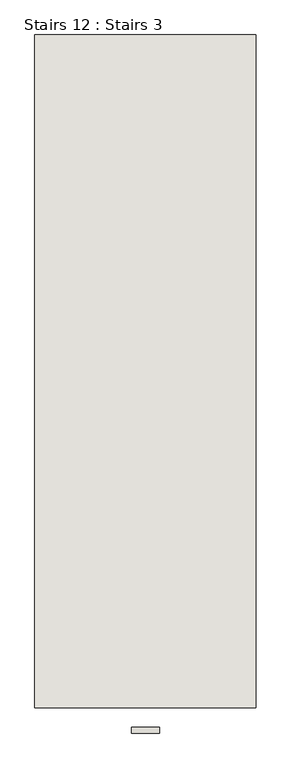
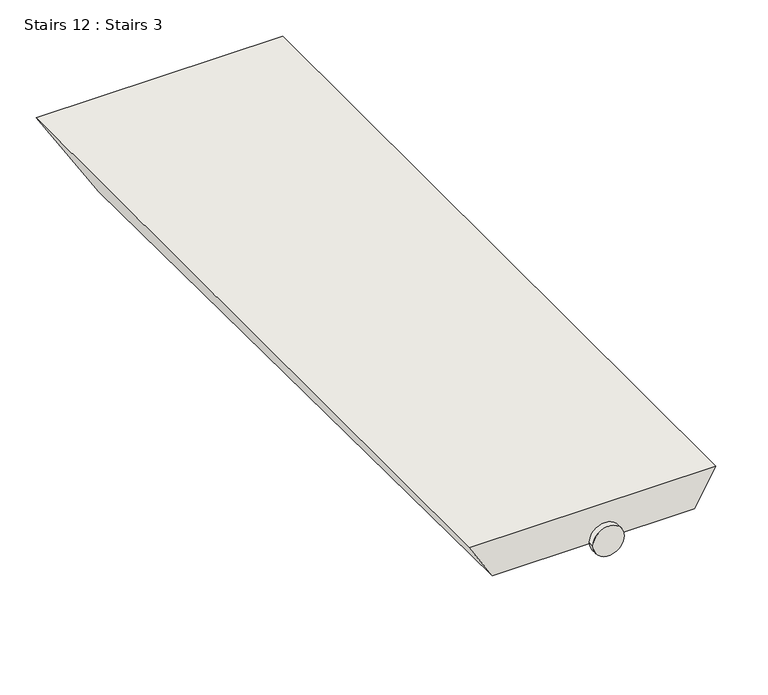
"""IFC4 building model written with IfcOpenShell, lengths in millimetres: wall geometry, Stairs 12 : Stairs 3."""

from ifc_helpers import new_model, si_unit, point, frame, frame_2d, origin, place, context, project, spatial, circle_curve, trimmed, segment, composite_curve, outline, extrude, faceted_brep, source, transform, mapped, element, save


def stairs_12_stairs_3_8f40d963(model_context):
    return source(origin(), model_context, "Body", "SolidModel", [
        extrude(outline(composite_curve([segment(trimmed(circle_curve(frame_2d((69216.224856, 101487.8275798)), 25.0), [point((69216.224856, 101512.8275798))], [point((69216.224856, 101462.8275798))], False, "CARTESIAN"), True, "CONTINUOUS"), segment(trimmed(circle_curve(frame_2d((69216.224856, 101487.8275798)), 25.0), [point((69216.224856, 101462.8275798))], [point((69216.224856, 101512.8275798))], False, "CARTESIAN"), True, "CONTINUOUS")], self_intersect=False)), frame((0.0, -36520.9230841, 0.0), z_axis=(0.0, 1.0, 0.0), x_axis=(0.0, 0.0, 1.0)), (0.0, 0.0, 1.0), 10.0),
        faceted_brep([(101685.1745595, -36475.9230841, 69246.224856), (101290.4806001, -36475.9230841, 69246.224856), (101327.9727612, -36475.9230841, 69186.224856), (101650.5335434, -36475.9230841, 69186.224856), (101290.4806001, -35275.9230841, 69246.224856), (101685.1745595, -35275.9230841, 69246.224856), (101592.7985165, -35275.9230841, 69086.224856), (101390.4596964, -35275.9230841, 69086.224856)], [[[0, 1, 2, 3]], [[4, 5, 6, 7]], [[5, 4, 1, 0]], [[7, 6, 3, 2]], [[2, 1, 4, 7]], [[0, 3, 6, 5]]]),
    ])


if __name__ == "__main__":
    model = new_model("IFC4")
    model_context = context("Model", 3, world=origin())
    ifc_project = project(units=[si_unit("LENGTHUNIT", "METRE", prefix="MILLI")], contexts=[model_context])
    site = spatial("IfcSite", under=ifc_project)
    building = spatial("IfcBuilding", under=site)
    placement = place(None, origin())
    stairs_12_stairs_3_shape = stairs_12_stairs_3_8f40d963(model_context)
    element("IfcWall", 1, ObjectType="Stairs 12 : Stairs 3", at=placement, inside=building, context=model_context, shape_type="MappedRepresentation", body=[
        mapped(stairs_12_stairs_3_shape, transform((0.0, 0.0, 0.0), x_axis=(1.0, 0.0, 0.0), y_axis=(0.0, 1.0, 0.0), z_axis=(0.0, 0.0, 1.0))),
    ])
    save(model, "model.ifc")
